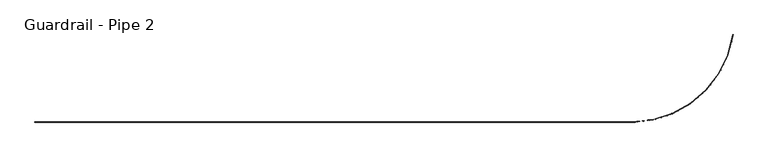
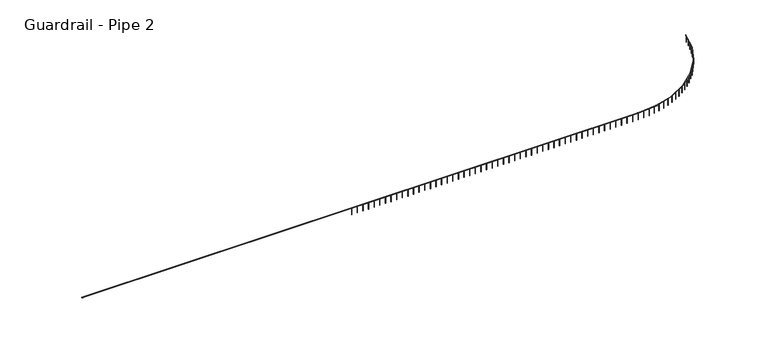
"""IFC4 building model written with IfcOpenShell, lengths in millimetres: railing geometry, Guardrail - Pipe 2."""

from ifc_helpers import new_model, si_unit, point, frame, frame_2d, origin, place, context, project, spatial, circle_curve, ellipse_curve, trimmed, segment, composite_curve, outline, extrude, source, transform, mapped, element, save
from ifc_brep_helpers import plane_surface, cylinder_surface, revolved_surface, advanced_brep


def guardrail_pipe_2_2d5580a9(model_context):
    return source(origin(), model_context, "Body", "SolidModel", [
        advanced_brep(
        [(178299.0379834, -514458.7580223, 5010.15), (178299.0379834, -514496.8580223, 5010.15), (238653.4254676, -514458.7580223, 5010.15), (238653.4254676, -514496.8580223, 5010.15), (248922.7777139, -505641.5394234, 5010.15), (248885.0920176, -505635.9360054, 5010.15)],
        [
            (0, 1, circle_curve(frame((178299.0379834, -514477.8080223, 5010.15), z_axis=(-1.0, 0.0, 0.0), x_axis=(0.0, -1.0, 0.0)), 19.05)),
            (1, 0, circle_curve(frame((178299.0379834, -514477.8080223, 5010.15), z_axis=(-1.0, 0.0, 0.0), x_axis=(0.0, -1.0, 0.0)), 19.05)),
            (0, 2),
            (2, 3, circle_curve(frame((238653.4254676, -514477.8080223, 5010.15), z_axis=(-1.0, 0.0, 0.0), x_axis=(0.0, -1.0, 0.0)), 19.05)),
            (3, 1),
            (3, 2, circle_curve(frame((238653.4254676, -514477.8080223, 5010.15), z_axis=(-1.0, 0.0, 0.0), x_axis=(0.0, -1.0, 0.0)), 19.05)),
            (4, 3, circle_curve(frame((238653.4254676, -504114.6080223, 5010.15), z_axis=(0.0, 0.0, -1.0), x_axis=(0.0, -1.0, 0.0)), 10382.25)),
            (2, 5, circle_curve(frame((238653.4254676, -504114.6080223, 5010.15), z_axis=(0.0, 0.0, 1.0), x_axis=(0.0, -1.0, 0.0)), 10344.15)),
            (5, 4, circle_curve(frame((248903.9348658, -505638.7377144, 5010.15), z_axis=(-0.14707133820643276, -0.989125887578608, 0.0), x_axis=(0.989125887578608, -0.14707133820643276, 0.0)), 19.05)),
            (4, 5, circle_curve(frame((248903.9348658, -505638.7377144, 5010.15), z_axis=(-0.14707133820643759, -0.9891258875786073, 0.0), x_axis=(0.9891258875786073, -0.14707133820643759, 0.0)), 19.05)),
        ],
        [
            plane_surface(frame((178299.0379834, -514477.8080223, 5029.2), z_axis=(-1.0, 0.0, 0.0), x_axis=(0.0, 1.0, 0.0))),
            cylinder_surface(frame((178299.0379834, -514477.8080223, 5010.15), z_axis=(-1.0, 0.0, 0.0), x_axis=(0.0, -1.0, 0.0)), 19.05),
            revolved_surface(trimmed(ellipse_curve(frame((238653.4254676, -514477.8080223, 5010.15), z_axis=(-1.0, 0.0, 0.0), x_axis=(0.0, -1.0, 0.0)), 19.05, 19.05), [point((238653.4254676, -514458.7580223, 5010.15))], [point((238653.4254676, -514496.8580223, 5010.15))], True, "CARTESIAN"), (238653.4254676, -504114.6080223, 5029.2), (0.0, 0.0, 1.0)),
            revolved_surface(trimmed(ellipse_curve(frame((238653.4254676, -514477.8080223, 5010.15), z_axis=(-1.0, 0.0, 0.0), x_axis=(0.0, -1.0, 0.0)), 19.05, 19.05), [point((238653.4254676, -514496.8580223, 5010.15))], [point((238653.4254676, -514458.7580223, 5010.15))], True, "CARTESIAN"), (238653.4254676, -504114.6080223, 5029.2), (0.0, 0.0, 1.0)),
            plane_surface(frame((248903.9348658, -505638.7377144, 5029.2), z_axis=(0.1470713382064385, 0.9891258875786072, 0.0), x_axis=(0.9891258875786072, -0.1470713382064385, 0.0))),
        ],
        [
            (0, [[1, 2]]),
            (1, [[-1, 3, 4, 5]]),
            (1, [[-2, -5, 6, -3]]),
            (2, [[7, -4, 8, 9]]),
            (3, [[-8, -6, -7, 10]]),
            (4, [[-10, -9]]),
        ],
    ),
        extrude(outline(composite_curve([segment(trimmed(circle_curve(frame_2d((248885.8532923, -505755.746363)), 12.7), [point((248873.3135523, -505753.7351641))], [point((248898.3930322, -505757.757562))], False, "CARTESIAN"), True, "CONTINUOUS"), segment(trimmed(circle_curve(frame_2d((248885.8532923, -505755.746363)), 12.7), [point((248898.3930322, -505757.757562))], [point((248873.3135523, -505753.7351641))], False, "CARTESIAN"), True, "CONTINUOUS")], self_intersect=False)), frame((0.0, 0.0, 4267.2), z_axis=(0.0, 0.0, 1.0), x_axis=(1.0, 0.0, 0.0)), (0.0, 0.0, 1.0), 723.9),
        extrude(outline(composite_curve([segment(trimmed(circle_curve(frame_2d((248771.6733483, -506354.4683003)), 12.7), [point((248759.2735347, -506351.7233735))], [point((248784.0731619, -506357.2132271))], False, "CARTESIAN"), True, "CONTINUOUS"), segment(trimmed(circle_curve(frame_2d((248771.6733483, -506354.4683003)), 12.7), [point((248784.0731619, -506357.2132271))], [point((248759.2735347, -506351.7233735))], False, "CARTESIAN"), True, "CONTINUOUS")], self_intersect=False)), frame((0.0, 0.0, 4267.2), z_axis=(0.0, 0.0, 1.0), x_axis=(1.0, 0.0, 0.0)), (0.0, 0.0, 1.0), 723.9),
        extrude(outline(composite_curve([segment(trimmed(circle_curve(frame_2d((248622.4922604, -506945.4420906)), 12.7), [point((248610.2752667, -506941.9729312))], [point((248634.709254, -506948.9112499))], False, "CARTESIAN"), True, "CONTINUOUS"), segment(trimmed(circle_curve(frame_2d((248622.4922604, -506945.4420906)), 12.7), [point((248634.709254, -506948.9112499))], [point((248610.2752667, -506941.9729312))], False, "CARTESIAN"), True, "CONTINUOUS")], self_intersect=False)), frame((0.0, 0.0, 4267.2), z_axis=(0.0, 0.0, 1.0), x_axis=(1.0, 0.0, 0.0)), (0.0, 0.0, 1.0), 723.9),
        extrude(outline(composite_curve([segment(trimmed(circle_curve(frame_2d((248438.8260771, -507526.6234313)), 12.7), [point((248426.8341646, -507522.4420399))], [point((248450.8179896, -507530.8048228))], False, "CARTESIAN"), True, "CONTINUOUS"), segment(trimmed(circle_curve(frame_2d((248438.8260771, -507526.6234313)), 12.7), [point((248450.8179896, -507530.8048228))], [point((248426.8341646, -507522.4420399))], False, "CARTESIAN"), True, "CONTINUOUS")], self_intersect=False)), frame((0.0, 0.0, 4267.2), z_axis=(0.0, 0.0, 1.0), x_axis=(1.0, 0.0, 0.0)), (0.0, 0.0, 1.0), 723.9),
        extrude(outline(composite_curve([segment(trimmed(circle_curve(frame_2d((248221.3101385, -508096.0018944)), 12.7), [point((248209.5847896, -508091.1227353))], [point((248233.0354874, -508100.8810536))], False, "CARTESIAN"), True, "CONTINUOUS"), segment(trimmed(circle_curve(frame_2d((248221.3101385, -508096.0018944)), 12.7), [point((248233.0354874, -508100.8810536))], [point((248209.5847896, -508091.1227353))], False, "CARTESIAN"), True, "CONTINUOUS")], self_intersect=False)), frame((0.0, 0.0, 4267.2), z_axis=(0.0, 0.0, 1.0), x_axis=(1.0, 0.0, 0.0)), (0.0, 0.0, 1.0), 723.9),
        extrude(outline(composite_curve([segment(trimmed(circle_curve(frame_2d((247970.6968778, -508651.6078801)), 12.7), [point((247959.278653, -508646.0478312))], [point((247982.1151025, -508657.1679289))], False, "CARTESIAN"), True, "CONTINUOUS"), segment(trimmed(circle_curve(frame_2d((247970.6968778, -508651.6078801)), 12.7), [point((247982.1151025, -508657.1679289))], [point((247959.278653, -508646.0478312))], False, "CARTESIAN"), True, "CONTINUOUS")], self_intersect=False)), frame((0.0, 0.0, 4267.2), z_axis=(0.0, 0.0, 1.0), x_axis=(1.0, 0.0, 0.0)), (0.0, 0.0, 1.0), 723.9),
        extrude(outline(composite_curve([segment(trimmed(circle_curve(frame_2d((247687.8532189, -509191.5194306)), 12.7), [point((247676.7816162, -509185.2977254))], [point((247698.9248215, -509197.7411357))], False, "CARTESIAN"), True, "CONTINUOUS"), segment(trimmed(circle_curve(frame_2d((247687.8532189, -509191.5194306)), 12.7), [point((247698.9248215, -509197.7411357))], [point((247676.7816162, -509185.2977254))], False, "CARTESIAN"), True, "CONTINUOUS")], self_intersect=False)), frame((0.0, 0.0, 4267.2), z_axis=(0.0, 0.0, 1.0), x_axis=(1.0, 0.0, 0.0)), (0.0, 0.0, 1.0), 723.9),
        extrude(outline(composite_curve([segment(trimmed(circle_curve(frame_2d((247373.7575774, -509713.8688785)), 12.7), [point((247363.0708959, -509707.0070392))], [point((247384.4442589, -509720.7307178))], False, "CARTESIAN"), True, "CONTINUOUS"), segment(trimmed(circle_curve(frame_2d((247373.7575774, -509713.8688785)), 12.7), [point((247384.4442589, -509720.7307178))], [point((247363.0708959, -509707.0070392))], False, "CARTESIAN"), True, "CONTINUOUS")], self_intersect=False)), frame((0.0, 0.0, 4267.2), z_axis=(0.0, 0.0, 1.0), x_axis=(1.0, 0.0, 0.0)), (0.0, 0.0, 1.0), 723.9),
        extrude(outline(composite_curve([segment(trimmed(circle_curve(frame_2d((247029.4964761, -510216.8493074)), 12.7), [point((247019.2316831, -510209.3710706))], [point((247039.761269, -510224.3275443))], False, "CARTESIAN"), True, "CONTINUOUS"), segment(trimmed(circle_curve(frame_2d((247029.4964761, -510216.8493074)), 12.7), [point((247039.761269, -510224.3275443))], [point((247019.2316831, -510209.3710706))], False, "CARTESIAN"), True, "CONTINUOUS")], self_intersect=False)), frame((0.0, 0.0, 4267.2), z_axis=(0.0, 0.0, 1.0), x_axis=(1.0, 0.0, 0.0)), (0.0, 0.0, 1.0), 723.9),
        extrude(outline(composite_curve([segment(trimmed(circle_curve(frame_2d((246656.2607864, -510698.7208024)), 12.7), [point((246646.4533901, -510690.6520368))], [point((246666.0681826, -510706.7895681))], False, "CARTESIAN"), True, "CONTINUOUS"), segment(trimmed(circle_curve(frame_2d((246656.2607864, -510698.7208024)), 12.7), [point((246666.0681826, -510706.7895681))], [point((246646.4533901, -510690.6520368))], False, "CARTESIAN"), True, "CONTINUOUS")], self_intersect=False)), frame((0.0, 0.0, 4267.2), z_axis=(0.0, 0.0, 1.0), x_axis=(1.0, 0.0, 0.0)), (0.0, 0.0, 1.0), 723.9),
        extrude(outline(composite_curve([segment(trimmed(circle_curve(frame_2d((246255.3416089, -511157.8164688)), 12.7), [point((246246.0255352, -511149.1850859))], [point((246264.6576826, -511166.4478517))], False, "CARTESIAN"), True, "CONTINUOUS"), segment(trimmed(circle_curve(frame_2d((246255.3416089, -511157.8164688)), 12.7), [point((246264.6576826, -511166.4478517))], [point((246246.0255352, -511149.1850859))], False, "CARTESIAN"), True, "CONTINUOUS")], self_intersect=False)), frame((0.0, 0.0, 4267.2), z_axis=(0.0, 0.0, 1.0), x_axis=(1.0, 0.0, 0.0)), (0.0, 0.0, 1.0), 723.9),
        extrude(outline(composite_curve([segment(trimmed(circle_curve(frame_2d((245828.1258073, -511592.5481983)), 12.7), [point((245819.3332824, -511583.3840559))], [point((245836.9183322, -511601.7123407))], False, "CARTESIAN"), True, "CONTINUOUS"), segment(trimmed(circle_curve(frame_2d((245828.1258073, -511592.5481983)), 12.7), [point((245836.9183322, -511601.7123407))], [point((245819.3332824, -511583.3840559))], False, "CARTESIAN"), True, "CONTINUOUS")], self_intersect=False)), frame((0.0, 0.0, 4267.2), z_axis=(0.0, 0.0, 1.0), x_axis=(1.0, 0.0, 0.0)), (0.0, 0.0, 1.0), 723.9),
        extrude(outline(composite_curve([segment(trimmed(circle_curve(frame_2d((245376.0912107, -512001.4121626)), 12.7), [point((245367.8526498, -511991.7469614))], [point((245384.3297717, -512011.0773637))], False, "CARTESIAN"), True, "CONTINUOUS"), segment(trimmed(circle_curve(frame_2d((245376.0912107, -512001.4121626)), 12.7), [point((245384.3297717, -512011.0773637))], [point((245367.8526498, -511991.7469614))], False, "CARTESIAN"), True, "CONTINUOUS")], self_intersect=False)), frame((0.0, 0.0, 4267.2), z_axis=(0.0, 0.0, 1.0), x_axis=(1.0, 0.0, 0.0)), (0.0, 0.0, 1.0), 723.9),
        extrude(outline(composite_curve([segment(trimmed(circle_curve(frame_2d((244900.8015018, -512382.9940153)), 12.7), [point((244893.1454037, -512372.8611893))], [point((244908.4575998, -512393.1268412))], False, "CARTESIAN"), True, "CONTINUOUS"), segment(trimmed(circle_curve(frame_2d((244900.8015018, -512382.9940153)), 12.7), [point((244908.4575998, -512393.1268412))], [point((244893.1454037, -512372.8611893))], False, "CARTESIAN"), True, "CONTINUOUS")], self_intersect=False)), frame((0.0, 0.0, 4267.2), z_axis=(0.0, 0.0, 1.0), x_axis=(1.0, 0.0, 0.0)), (0.0, 0.0, 1.0), 723.9),
        extrude(outline(composite_curve([segment(trimmed(circle_curve(frame_2d((244403.9008073, -512735.9737846)), 12.7), [point((244396.8536562, -512725.4083854))], [point((244410.9479585, -512746.5391839))], False, "CARTESIAN"), True, "CONTINUOUS"), segment(trimmed(circle_curve(frame_2d((244403.9008073, -512735.9737846)), 12.7), [point((244410.9479585, -512746.5391839))], [point((244396.8536562, -512725.4083854))], False, "CARTESIAN"), True, "CONTINUOUS")], self_intersect=False)), frame((0.0, 0.0, 4267.2), z_axis=(0.0, 0.0, 1.0), x_axis=(1.0, 0.0, 0.0)), (0.0, 0.0, 1.0), 723.9),
        extrude(outline(composite_curve([segment(trimmed(circle_curve(frame_2d((243887.1080112, -513059.1304396)), 12.7), [point((243880.6941845, -513048.1690151))], [point((243893.5218378, -513070.0918641))], False, "CARTESIAN"), True, "CONTINUOUS"), segment(trimmed(circle_curve(frame_2d((243887.1080112, -513059.1304396)), 12.7), [point((243893.5218378, -513070.0918641))], [point((243880.6941845, -513048.1690151))], False, "CARTESIAN"), True, "CONTINUOUS")], self_intersect=False)), frame((0.0, 0.0, 4267.2), z_axis=(0.0, 0.0, 1.0), x_axis=(1.0, 0.0, 0.0)), (0.0, 0.0, 1.0), 723.9),
        extrude(outline(composite_curve([segment(trimmed(circle_curve(frame_2d((243352.2108082, -513351.3461134)), 12.7), [point((243346.4524929, -513340.0265814))], [point((243357.9691236, -513362.6656454))], False, "CARTESIAN"), True, "CONTINUOUS"), segment(trimmed(circle_curve(frame_2d((243352.2108082, -513351.3461134)), 12.7), [point((243357.9691236, -513362.6656454))], [point((243346.4524929, -513340.0265814))], False, "CARTESIAN"), True, "CONTINUOUS")], self_intersect=False)), frame((0.0, 0.0, 4267.2), z_axis=(0.0, 0.0, 1.0), x_axis=(1.0, 0.0, 0.0)), (0.0, 0.0, 1.0), 723.9),
        extrude(outline(composite_curve([segment(trimmed(circle_curve(frame_2d((242801.0595201, -513611.6099707)), 12.7), [point((242795.9766353, -513599.9714879))], [point((242806.142405, -513623.2484534))], False, "CARTESIAN"), True, "CONTINUOUS"), segment(trimmed(circle_curve(frame_2d((242801.0595201, -513611.6099707)), 12.7), [point((242806.142405, -513623.2484534))], [point((242795.9766353, -513599.9714879))], False, "CARTESIAN"), True, "CONTINUOUS")], self_intersect=False)), frame((0.0, 0.0, 4267.2), z_axis=(0.0, 0.0, 1.0), x_axis=(1.0, 0.0, 0.0)), (0.0, 0.0, 1.0), 723.9),
        extrude(outline(composite_curve([segment(trimmed(circle_curve(frame_2d((242235.560695, -513839.021704)), 12.7), [point((242231.1708234, -513827.1045304))], [point((242239.9505666, -513850.9388777))], False, "CARTESIAN"), True, "CONTINUOUS"), segment(trimmed(circle_curve(frame_2d((242235.560695, -513839.021704)), 12.7), [point((242239.9505666, -513850.9388777))], [point((242231.1708234, -513827.1045304))], False, "CARTESIAN"), True, "CONTINUOUS")], self_intersect=False)), frame((0.0, 0.0, 4267.2), z_axis=(0.0, 0.0, 1.0), x_axis=(1.0, 0.0, 0.0)), (0.0, 0.0, 1.0), 723.9),
        extrude(outline(composite_curve([segment(trimmed(circle_curve(frame_2d((241657.6705119, -514032.7946486)), 12.7), [point((241653.988839, -514020.6400082))], [point((241661.3521847, -514044.9492891))], False, "CARTESIAN"), True, "CONTINUOUS"), segment(trimmed(circle_curve(frame_2d((241657.6705119, -514032.7946486)), 12.7), [point((241661.3521847, -514044.9492891))], [point((241653.988839, -514020.6400082))], False, "CARTESIAN"), True, "CONTINUOUS")], self_intersect=False)), frame((0.0, 0.0, 4267.2), z_axis=(0.0, 0.0, 1.0), x_axis=(1.0, 0.0, 0.0)), (0.0, 0.0, 1.0), 723.9),
        extrude(outline(composite_curve([segment(trimmed(circle_curve(frame_2d((241069.3880144, -514192.2585031)), 12.7), [point((241066.427276, -514179.9084412))], [point((241072.3487528, -514204.608565))], False, "CARTESIAN"), True, "CONTINUOUS"), segment(trimmed(circle_curve(frame_2d((241069.3880144, -514192.2585031)), 12.7), [point((241072.3487528, -514204.608565))], [point((241066.427276, -514179.9084412))], False, "CARTESIAN"), True, "CONTINUOUS")], self_intersect=False)), frame((0.0, 0.0, 4267.2), z_axis=(0.0, 0.0, 1.0), x_axis=(1.0, 0.0, 0.0)), (0.0, 0.0, 1.0), 723.9),
        extrude(outline(composite_curve([segment(trimmed(circle_curve(frame_2d((240472.7481951, -514316.8616485)), 12.7), [point((240470.518633, -514304.3588867))], [point((240474.9777573, -514329.3644103))], False, "CARTESIAN"), True, "CONTINUOUS"), segment(trimmed(circle_curve(frame_2d((240472.7481951, -514316.8616485)), 12.7), [point((240474.9777573, -514329.3644103))], [point((240470.518633, -514304.3588867))], False, "CARTESIAN"), True, "CONTINUOUS")], self_intersect=False)), frame((0.0, 0.0, 4267.2), z_axis=(0.0, 0.0, 1.0), x_axis=(1.0, 0.0, 0.0)), (0.0, 0.0, 1.0), 723.9),
        extrude(outline(composite_curve([segment(trimmed(circle_curve(frame_2d((239869.8149566, -514406.1730564)), 12.7), [point((239868.3242832, -514393.5608444))], [point((239871.3056299, -514418.7852685))], False, "CARTESIAN"), True, "CONTINUOUS"), segment(trimmed(circle_curve(frame_2d((239869.8149566, -514406.1730564)), 12.7), [point((239871.3056299, -514418.7852685))], [point((239868.3242832, -514393.5608444))], False, "CARTESIAN"), True, "CONTINUOUS")], self_intersect=False)), frame((0.0, 0.0, 4267.2), z_axis=(0.0, 0.0, 1.0), x_axis=(1.0, 0.0, 0.0)), (0.0, 0.0, 1.0), 723.9),
        extrude(outline(composite_curve([segment(trimmed(circle_curve(frame_2d((239262.6739713, -514459.8837799)), 12.7), [point((239261.9273433, -514447.2057459))], [point((239263.4205994, -514472.561814))], False, "CARTESIAN"), True, "CONTINUOUS"), segment(trimmed(circle_curve(frame_2d((239262.6739713, -514459.8837799)), 12.7), [point((239263.4205994, -514472.561814))], [point((239261.9273433, -514447.2057459))], False, "CARTESIAN"), True, "CONTINUOUS")], self_intersect=False)), frame((0.0, 0.0, 4267.2), z_axis=(0.0, 0.0, 1.0), x_axis=(1.0, 0.0, 0.0)), (0.0, 0.0, 1.0), 723.9),
        extrude(outline(composite_curve([segment(trimmed(circle_curve(frame_2d((238649.4379834, -514477.8080223)), 12.7), [point((238649.4379834, -514465.1080223))], [point((238649.4379834, -514490.5080223))], False, "CARTESIAN"), True, "CONTINUOUS"), segment(trimmed(circle_curve(frame_2d((238649.4379834, -514477.8080223)), 12.7), [point((238649.4379834, -514490.5080223))], [point((238649.4379834, -514465.1080223))], False, "CARTESIAN"), True, "CONTINUOUS")], self_intersect=False)), frame((0.0, 0.0, 4267.2), z_axis=(0.0, 0.0, 1.0), x_axis=(1.0, 0.0, 0.0)), (0.0, 0.0, 1.0), 723.9),
        extrude(outline(composite_curve([segment(trimmed(circle_curve(frame_2d((238039.8379834, -514477.8080223)), 12.7), [point((238039.8379834, -514465.1080223))], [point((238039.8379834, -514490.5080223))], False, "CARTESIAN"), True, "CONTINUOUS"), segment(trimmed(circle_curve(frame_2d((238039.8379834, -514477.8080223)), 12.7), [point((238039.8379834, -514490.5080223))], [point((238039.8379834, -514465.1080223))], False, "CARTESIAN"), True, "CONTINUOUS")], self_intersect=False)), frame((0.0, 0.0, 4267.2), z_axis=(0.0, 0.0, 1.0), x_axis=(1.0, 0.0, 0.0)), (0.0, 0.0, 1.0), 723.9),
        extrude(outline(composite_curve([segment(trimmed(circle_curve(frame_2d((237430.2379834, -514477.8080223)), 12.7), [point((237430.2379834, -514465.1080223))], [point((237430.2379834, -514490.5080223))], False, "CARTESIAN"), True, "CONTINUOUS"), segment(trimmed(circle_curve(frame_2d((237430.2379834, -514477.8080223)), 12.7), [point((237430.2379834, -514490.5080223))], [point((237430.2379834, -514465.1080223))], False, "CARTESIAN"), True, "CONTINUOUS")], self_intersect=False)), frame((0.0, 0.0, 4267.2), z_axis=(0.0, 0.0, 1.0), x_axis=(1.0, 0.0, 0.0)), (0.0, 0.0, 1.0), 723.9),
        extrude(outline(composite_curve([segment(trimmed(circle_curve(frame_2d((236820.6379834, -514477.8080223)), 12.7), [point((236820.6379834, -514465.1080223))], [point((236820.6379834, -514490.5080223))], False, "CARTESIAN"), True, "CONTINUOUS"), segment(trimmed(circle_curve(frame_2d((236820.6379834, -514477.8080223)), 12.7), [point((236820.6379834, -514490.5080223))], [point((236820.6379834, -514465.1080223))], False, "CARTESIAN"), True, "CONTINUOUS")], self_intersect=False)), frame((0.0, 0.0, 4267.2), z_axis=(0.0, 0.0, 1.0), x_axis=(1.0, 0.0, 0.0)), (0.0, 0.0, 1.0), 723.9),
        extrude(outline(composite_curve([segment(trimmed(circle_curve(frame_2d((236211.0379834, -514477.8080223)), 12.7), [point((236211.0379834, -514465.1080223))], [point((236211.0379834, -514490.5080223))], False, "CARTESIAN"), True, "CONTINUOUS"), segment(trimmed(circle_curve(frame_2d((236211.0379834, -514477.8080223)), 12.7), [point((236211.0379834, -514490.5080223))], [point((236211.0379834, -514465.1080223))], False, "CARTESIAN"), True, "CONTINUOUS")], self_intersect=False)), frame((0.0, 0.0, 4267.2), z_axis=(0.0, 0.0, 1.0), x_axis=(1.0, 0.0, 0.0)), (0.0, 0.0, 1.0), 723.9),
        extrude(outline(composite_curve([segment(trimmed(circle_curve(frame_2d((235601.4379834, -514477.8080223)), 12.7), [point((235601.4379834, -514465.1080223))], [point((235601.4379834, -514490.5080223))], False, "CARTESIAN"), True, "CONTINUOUS"), segment(trimmed(circle_curve(frame_2d((235601.4379834, -514477.8080223)), 12.7), [point((235601.4379834, -514490.5080223))], [point((235601.4379834, -514465.1080223))], False, "CARTESIAN"), True, "CONTINUOUS")], self_intersect=False)), frame((0.0, 0.0, 4267.2), z_axis=(0.0, 0.0, 1.0), x_axis=(1.0, 0.0, 0.0)), (0.0, 0.0, 1.0), 723.9),
        extrude(outline(composite_curve([segment(trimmed(circle_curve(frame_2d((234991.8379834, -514477.8080223)), 12.7), [point((234991.8379834, -514465.1080223))], [point((234991.8379834, -514490.5080223))], False, "CARTESIAN"), True, "CONTINUOUS"), segment(trimmed(circle_curve(frame_2d((234991.8379834, -514477.8080223)), 12.7), [point((234991.8379834, -514490.5080223))], [point((234991.8379834, -514465.1080223))], False, "CARTESIAN"), True, "CONTINUOUS")], self_intersect=False)), frame((0.0, 0.0, 4267.2), z_axis=(0.0, 0.0, 1.0), x_axis=(1.0, 0.0, 0.0)), (0.0, 0.0, 1.0), 723.9),
        extrude(outline(composite_curve([segment(trimmed(circle_curve(frame_2d((234382.2379834, -514477.8080223)), 12.7), [point((234382.2379834, -514465.1080223))], [point((234382.2379834, -514490.5080223))], False, "CARTESIAN"), True, "CONTINUOUS"), segment(trimmed(circle_curve(frame_2d((234382.2379834, -514477.8080223)), 12.7), [point((234382.2379834, -514490.5080223))], [point((234382.2379834, -514465.1080223))], False, "CARTESIAN"), True, "CONTINUOUS")], self_intersect=False)), frame((0.0, 0.0, 4267.2), z_axis=(0.0, 0.0, 1.0), x_axis=(1.0, 0.0, 0.0)), (0.0, 0.0, 1.0), 723.9),
        extrude(outline(composite_curve([segment(trimmed(circle_curve(frame_2d((233772.6379834, -514477.8080223)), 12.7), [point((233772.6379834, -514465.1080223))], [point((233772.6379834, -514490.5080223))], False, "CARTESIAN"), True, "CONTINUOUS"), segment(trimmed(circle_curve(frame_2d((233772.6379834, -514477.8080223)), 12.7), [point((233772.6379834, -514490.5080223))], [point((233772.6379834, -514465.1080223))], False, "CARTESIAN"), True, "CONTINUOUS")], self_intersect=False)), frame((0.0, 0.0, 4267.2), z_axis=(0.0, 0.0, 1.0), x_axis=(1.0, 0.0, 0.0)), (0.0, 0.0, 1.0), 723.9),
        extrude(outline(composite_curve([segment(trimmed(circle_curve(frame_2d((233163.0379834, -514477.8080223)), 12.7), [point((233163.0379834, -514465.1080223))], [point((233163.0379834, -514490.5080223))], False, "CARTESIAN"), True, "CONTINUOUS"), segment(trimmed(circle_curve(frame_2d((233163.0379834, -514477.8080223)), 12.7), [point((233163.0379834, -514490.5080223))], [point((233163.0379834, -514465.1080223))], False, "CARTESIAN"), True, "CONTINUOUS")], self_intersect=False)), frame((0.0, 0.0, 4267.2), z_axis=(0.0, 0.0, 1.0), x_axis=(1.0, 0.0, 0.0)), (0.0, 0.0, 1.0), 723.9),
        extrude(outline(composite_curve([segment(trimmed(circle_curve(frame_2d((232553.4379834, -514477.8080223)), 12.7), [point((232553.4379834, -514465.1080223))], [point((232553.4379834, -514490.5080223))], False, "CARTESIAN"), True, "CONTINUOUS"), segment(trimmed(circle_curve(frame_2d((232553.4379834, -514477.8080223)), 12.7), [point((232553.4379834, -514490.5080223))], [point((232553.4379834, -514465.1080223))], False, "CARTESIAN"), True, "CONTINUOUS")], self_intersect=False)), frame((0.0, 0.0, 4267.2), z_axis=(0.0, 0.0, 1.0), x_axis=(1.0, 0.0, 0.0)), (0.0, 0.0, 1.0), 723.9),
        extrude(outline(composite_curve([segment(trimmed(circle_curve(frame_2d((231943.8379834, -514477.8080223)), 12.7), [point((231943.8379834, -514465.1080223))], [point((231943.8379834, -514490.5080223))], False, "CARTESIAN"), True, "CONTINUOUS"), segment(trimmed(circle_curve(frame_2d((231943.8379834, -514477.8080223)), 12.7), [point((231943.8379834, -514490.5080223))], [point((231943.8379834, -514465.1080223))], False, "CARTESIAN"), True, "CONTINUOUS")], self_intersect=False)), frame((0.0, 0.0, 4267.2), z_axis=(0.0, 0.0, 1.0), x_axis=(1.0, 0.0, 0.0)), (0.0, 0.0, 1.0), 723.9),
        extrude(outline(composite_curve([segment(trimmed(circle_curve(frame_2d((231334.2379834, -514477.8080223)), 12.7), [point((231334.2379834, -514465.1080223))], [point((231334.2379834, -514490.5080223))], False, "CARTESIAN"), True, "CONTINUOUS"), segment(trimmed(circle_curve(frame_2d((231334.2379834, -514477.8080223)), 12.7), [point((231334.2379834, -514490.5080223))], [point((231334.2379834, -514465.1080223))], False, "CARTESIAN"), True, "CONTINUOUS")], self_intersect=False)), frame((0.0, 0.0, 4267.2), z_axis=(0.0, 0.0, 1.0), x_axis=(1.0, 0.0, 0.0)), (0.0, 0.0, 1.0), 723.9),
        extrude(outline(composite_curve([segment(trimmed(circle_curve(frame_2d((230724.6379834, -514477.8080223)), 12.7), [point((230724.6379834, -514465.1080223))], [point((230724.6379834, -514490.5080223))], False, "CARTESIAN"), True, "CONTINUOUS"), segment(trimmed(circle_curve(frame_2d((230724.6379834, -514477.8080223)), 12.7), [point((230724.6379834, -514490.5080223))], [point((230724.6379834, -514465.1080223))], False, "CARTESIAN"), True, "CONTINUOUS")], self_intersect=False)), frame((0.0, 0.0, 4267.2), z_axis=(0.0, 0.0, 1.0), x_axis=(1.0, 0.0, 0.0)), (0.0, 0.0, 1.0), 723.9),
        extrude(outline(composite_curve([segment(trimmed(circle_curve(frame_2d((230115.0379834, -514477.8080223)), 12.7), [point((230115.0379834, -514465.1080223))], [point((230115.0379834, -514490.5080223))], False, "CARTESIAN"), True, "CONTINUOUS"), segment(trimmed(circle_curve(frame_2d((230115.0379834, -514477.8080223)), 12.7), [point((230115.0379834, -514490.5080223))], [point((230115.0379834, -514465.1080223))], False, "CARTESIAN"), True, "CONTINUOUS")], self_intersect=False)), frame((0.0, 0.0, 4267.2), z_axis=(0.0, 0.0, 1.0), x_axis=(1.0, 0.0, 0.0)), (0.0, 0.0, 1.0), 723.9),
        extrude(outline(composite_curve([segment(trimmed(circle_curve(frame_2d((229505.4379834, -514477.8080223)), 12.7), [point((229505.4379834, -514465.1080223))], [point((229505.4379834, -514490.5080223))], False, "CARTESIAN"), True, "CONTINUOUS"), segment(trimmed(circle_curve(frame_2d((229505.4379834, -514477.8080223)), 12.7), [point((229505.4379834, -514490.5080223))], [point((229505.4379834, -514465.1080223))], False, "CARTESIAN"), True, "CONTINUOUS")], self_intersect=False)), frame((0.0, 0.0, 4267.2), z_axis=(0.0, 0.0, 1.0), x_axis=(1.0, 0.0, 0.0)), (0.0, 0.0, 1.0), 723.9),
        extrude(outline(composite_curve([segment(trimmed(circle_curve(frame_2d((228895.8379834, -514477.8080223)), 12.7), [point((228895.8379834, -514465.1080223))], [point((228895.8379834, -514490.5080223))], False, "CARTESIAN"), True, "CONTINUOUS"), segment(trimmed(circle_curve(frame_2d((228895.8379834, -514477.8080223)), 12.7), [point((228895.8379834, -514490.5080223))], [point((228895.8379834, -514465.1080223))], False, "CARTESIAN"), True, "CONTINUOUS")], self_intersect=False)), frame((0.0, 0.0, 4267.2), z_axis=(0.0, 0.0, 1.0), x_axis=(1.0, 0.0, 0.0)), (0.0, 0.0, 1.0), 723.9),
        extrude(outline(composite_curve([segment(trimmed(circle_curve(frame_2d((228286.2379834, -514477.8080223)), 12.7), [point((228286.2379834, -514465.1080223))], [point((228286.2379834, -514490.5080223))], False, "CARTESIAN"), True, "CONTINUOUS"), segment(trimmed(circle_curve(frame_2d((228286.2379834, -514477.8080223)), 12.7), [point((228286.2379834, -514490.5080223))], [point((228286.2379834, -514465.1080223))], False, "CARTESIAN"), True, "CONTINUOUS")], self_intersect=False)), frame((0.0, 0.0, 4267.2), z_axis=(0.0, 0.0, 1.0), x_axis=(1.0, 0.0, 0.0)), (0.0, 0.0, 1.0), 723.9),
        extrude(outline(composite_curve([segment(trimmed(circle_curve(frame_2d((227676.6379834, -514477.8080223)), 12.7), [point((227676.6379834, -514465.1080223))], [point((227676.6379834, -514490.5080223))], False, "CARTESIAN"), True, "CONTINUOUS"), segment(trimmed(circle_curve(frame_2d((227676.6379834, -514477.8080223)), 12.7), [point((227676.6379834, -514490.5080223))], [point((227676.6379834, -514465.1080223))], False, "CARTESIAN"), True, "CONTINUOUS")], self_intersect=False)), frame((0.0, 0.0, 4267.2), z_axis=(0.0, 0.0, 1.0), x_axis=(1.0, 0.0, 0.0)), (0.0, 0.0, 1.0), 723.9),
        extrude(outline(composite_curve([segment(trimmed(circle_curve(frame_2d((227067.0379834, -514477.8080223)), 12.7), [point((227067.0379834, -514465.1080223))], [point((227067.0379834, -514490.5080223))], False, "CARTESIAN"), True, "CONTINUOUS"), segment(trimmed(circle_curve(frame_2d((227067.0379834, -514477.8080223)), 12.7), [point((227067.0379834, -514490.5080223))], [point((227067.0379834, -514465.1080223))], False, "CARTESIAN"), True, "CONTINUOUS")], self_intersect=False)), frame((0.0, 0.0, 4267.2), z_axis=(0.0, 0.0, 1.0), x_axis=(1.0, 0.0, 0.0)), (0.0, 0.0, 1.0), 723.9),
        extrude(outline(composite_curve([segment(trimmed(circle_curve(frame_2d((226457.4379834, -514477.8080223)), 12.7), [point((226457.4379834, -514465.1080223))], [point((226457.4379834, -514490.5080223))], False, "CARTESIAN"), True, "CONTINUOUS"), segment(trimmed(circle_curve(frame_2d((226457.4379834, -514477.8080223)), 12.7), [point((226457.4379834, -514490.5080223))], [point((226457.4379834, -514465.1080223))], False, "CARTESIAN"), True, "CONTINUOUS")], self_intersect=False)), frame((0.0, 0.0, 4267.2), z_axis=(0.0, 0.0, 1.0), x_axis=(1.0, 0.0, 0.0)), (0.0, 0.0, 1.0), 723.9),
        extrude(outline(composite_curve([segment(trimmed(circle_curve(frame_2d((225847.8379834, -514477.8080223)), 12.7), [point((225847.8379834, -514465.1080223))], [point((225847.8379834, -514490.5080223))], False, "CARTESIAN"), True, "CONTINUOUS"), segment(trimmed(circle_curve(frame_2d((225847.8379834, -514477.8080223)), 12.7), [point((225847.8379834, -514490.5080223))], [point((225847.8379834, -514465.1080223))], False, "CARTESIAN"), True, "CONTINUOUS")], self_intersect=False)), frame((0.0, 0.0, 4267.2), z_axis=(0.0, 0.0, 1.0), x_axis=(1.0, 0.0, 0.0)), (0.0, 0.0, 1.0), 723.9),
        extrude(outline(composite_curve([segment(trimmed(circle_curve(frame_2d((225238.2379834, -514477.8080223)), 12.7), [point((225238.2379834, -514465.1080223))], [point((225238.2379834, -514490.5080223))], False, "CARTESIAN"), True, "CONTINUOUS"), segment(trimmed(circle_curve(frame_2d((225238.2379834, -514477.8080223)), 12.7), [point((225238.2379834, -514490.5080223))], [point((225238.2379834, -514465.1080223))], False, "CARTESIAN"), True, "CONTINUOUS")], self_intersect=False)), frame((0.0, 0.0, 4267.2), z_axis=(0.0, 0.0, 1.0), x_axis=(1.0, 0.0, 0.0)), (0.0, 0.0, 1.0), 723.9),
        extrude(outline(composite_curve([segment(trimmed(circle_curve(frame_2d((224628.6379834, -514477.8080223)), 12.7), [point((224628.6379834, -514465.1080223))], [point((224628.6379834, -514490.5080223))], False, "CARTESIAN"), True, "CONTINUOUS"), segment(trimmed(circle_curve(frame_2d((224628.6379834, -514477.8080223)), 12.7), [point((224628.6379834, -514490.5080223))], [point((224628.6379834, -514465.1080223))], False, "CARTESIAN"), True, "CONTINUOUS")], self_intersect=False)), frame((0.0, 0.0, 4267.2), z_axis=(0.0, 0.0, 1.0), x_axis=(1.0, 0.0, 0.0)), (0.0, 0.0, 1.0), 723.9),
        extrude(outline(composite_curve([segment(trimmed(circle_curve(frame_2d((224019.0379834, -514477.8080223)), 12.7), [point((224019.0379834, -514465.1080223))], [point((224019.0379834, -514490.5080223))], False, "CARTESIAN"), True, "CONTINUOUS"), segment(trimmed(circle_curve(frame_2d((224019.0379834, -514477.8080223)), 12.7), [point((224019.0379834, -514490.5080223))], [point((224019.0379834, -514465.1080223))], False, "CARTESIAN"), True, "CONTINUOUS")], self_intersect=False)), frame((0.0, 0.0, 4267.2), z_axis=(0.0, 0.0, 1.0), x_axis=(1.0, 0.0, 0.0)), (0.0, 0.0, 1.0), 723.9),
        extrude(outline(composite_curve([segment(trimmed(circle_curve(frame_2d((223409.4379834, -514477.8080223)), 12.7), [point((223409.4379834, -514465.1080223))], [point((223409.4379834, -514490.5080223))], False, "CARTESIAN"), True, "CONTINUOUS"), segment(trimmed(circle_curve(frame_2d((223409.4379834, -514477.8080223)), 12.7), [point((223409.4379834, -514490.5080223))], [point((223409.4379834, -514465.1080223))], False, "CARTESIAN"), True, "CONTINUOUS")], self_intersect=False)), frame((0.0, 0.0, 4267.2), z_axis=(0.0, 0.0, 1.0), x_axis=(1.0, 0.0, 0.0)), (0.0, 0.0, 1.0), 723.9),
        extrude(outline(composite_curve([segment(trimmed(circle_curve(frame_2d((222799.8379834, -514477.8080223)), 12.7), [point((222799.8379834, -514465.1080223))], [point((222799.8379834, -514490.5080223))], False, "CARTESIAN"), True, "CONTINUOUS"), segment(trimmed(circle_curve(frame_2d((222799.8379834, -514477.8080223)), 12.7), [point((222799.8379834, -514490.5080223))], [point((222799.8379834, -514465.1080223))], False, "CARTESIAN"), True, "CONTINUOUS")], self_intersect=False)), frame((0.0, 0.0, 4267.2), z_axis=(0.0, 0.0, 1.0), x_axis=(1.0, 0.0, 0.0)), (0.0, 0.0, 1.0), 723.9),
        extrude(outline(composite_curve([segment(trimmed(circle_curve(frame_2d((222190.2379834, -514477.8080223)), 12.7), [point((222190.2379834, -514465.1080223))], [point((222190.2379834, -514490.5080223))], False, "CARTESIAN"), True, "CONTINUOUS"), segment(trimmed(circle_curve(frame_2d((222190.2379834, -514477.8080223)), 12.7), [point((222190.2379834, -514490.5080223))], [point((222190.2379834, -514465.1080223))], False, "CARTESIAN"), True, "CONTINUOUS")], self_intersect=False)), frame((0.0, 0.0, 4267.2), z_axis=(0.0, 0.0, 1.0), x_axis=(1.0, 0.0, 0.0)), (0.0, 0.0, 1.0), 723.9),
        extrude(outline(composite_curve([segment(trimmed(circle_curve(frame_2d((221580.6379834, -514477.8080223)), 12.7), [point((221580.6379834, -514465.1080223))], [point((221580.6379834, -514490.5080223))], False, "CARTESIAN"), True, "CONTINUOUS"), segment(trimmed(circle_curve(frame_2d((221580.6379834, -514477.8080223)), 12.7), [point((221580.6379834, -514490.5080223))], [point((221580.6379834, -514465.1080223))], False, "CARTESIAN"), True, "CONTINUOUS")], self_intersect=False)), frame((0.0, 0.0, 4267.2), z_axis=(0.0, 0.0, 1.0), x_axis=(1.0, 0.0, 0.0)), (0.0, 0.0, 1.0), 723.9),
        extrude(outline(composite_curve([segment(trimmed(circle_curve(frame_2d((220971.0379834, -514477.8080223)), 12.7), [point((220971.0379834, -514465.1080223))], [point((220971.0379834, -514490.5080223))], False, "CARTESIAN"), True, "CONTINUOUS"), segment(trimmed(circle_curve(frame_2d((220971.0379834, -514477.8080223)), 12.7), [point((220971.0379834, -514490.5080223))], [point((220971.0379834, -514465.1080223))], False, "CARTESIAN"), True, "CONTINUOUS")], self_intersect=False)), frame((0.0, 0.0, 4267.2), z_axis=(0.0, 0.0, 1.0), x_axis=(1.0, 0.0, 0.0)), (0.0, 0.0, 1.0), 723.9),
        extrude(outline(composite_curve([segment(trimmed(circle_curve(frame_2d((220361.4379834, -514477.8080223)), 12.7), [point((220361.4379834, -514465.1080223))], [point((220361.4379834, -514490.5080223))], False, "CARTESIAN"), True, "CONTINUOUS"), segment(trimmed(circle_curve(frame_2d((220361.4379834, -514477.8080223)), 12.7), [point((220361.4379834, -514490.5080223))], [point((220361.4379834, -514465.1080223))], False, "CARTESIAN"), True, "CONTINUOUS")], self_intersect=False)), frame((0.0, 0.0, 4267.2), z_axis=(0.0, 0.0, 1.0), x_axis=(1.0, 0.0, 0.0)), (0.0, 0.0, 1.0), 723.9),
        extrude(outline(composite_curve([segment(trimmed(circle_curve(frame_2d((219751.8379834, -514477.8080223)), 12.7), [point((219751.8379834, -514465.1080223))], [point((219751.8379834, -514490.5080223))], False, "CARTESIAN"), True, "CONTINUOUS"), segment(trimmed(circle_curve(frame_2d((219751.8379834, -514477.8080223)), 12.7), [point((219751.8379834, -514490.5080223))], [point((219751.8379834, -514465.1080223))], False, "CARTESIAN"), True, "CONTINUOUS")], self_intersect=False)), frame((0.0, 0.0, 4267.2), z_axis=(0.0, 0.0, 1.0), x_axis=(1.0, 0.0, 0.0)), (0.0, 0.0, 1.0), 723.9),
        extrude(outline(composite_curve([segment(trimmed(circle_curve(frame_2d((219142.2379834, -514477.8080223)), 12.7), [point((219142.2379834, -514465.1080223))], [point((219142.2379834, -514490.5080223))], False, "CARTESIAN"), True, "CONTINUOUS"), segment(trimmed(circle_curve(frame_2d((219142.2379834, -514477.8080223)), 12.7), [point((219142.2379834, -514490.5080223))], [point((219142.2379834, -514465.1080223))], False, "CARTESIAN"), True, "CONTINUOUS")], self_intersect=False)), frame((0.0, 0.0, 4267.2), z_axis=(0.0, 0.0, 1.0), x_axis=(1.0, 0.0, 0.0)), (0.0, 0.0, 1.0), 723.9),
        extrude(outline(composite_curve([segment(trimmed(circle_curve(frame_2d((218532.6379834, -514477.8080223)), 12.7), [point((218532.6379834, -514465.1080223))], [point((218532.6379834, -514490.5080223))], False, "CARTESIAN"), True, "CONTINUOUS"), segment(trimmed(circle_curve(frame_2d((218532.6379834, -514477.8080223)), 12.7), [point((218532.6379834, -514490.5080223))], [point((218532.6379834, -514465.1080223))], False, "CARTESIAN"), True, "CONTINUOUS")], self_intersect=False)), frame((0.0, 0.0, 4267.2), z_axis=(0.0, 0.0, 1.0), x_axis=(1.0, 0.0, 0.0)), (0.0, 0.0, 1.0), 723.9),
        extrude(outline(composite_curve([segment(trimmed(circle_curve(frame_2d((217923.0379834, -514477.8080223)), 12.7), [point((217923.0379834, -514465.1080223))], [point((217923.0379834, -514490.5080223))], False, "CARTESIAN"), True, "CONTINUOUS"), segment(trimmed(circle_curve(frame_2d((217923.0379834, -514477.8080223)), 12.7), [point((217923.0379834, -514490.5080223))], [point((217923.0379834, -514465.1080223))], False, "CARTESIAN"), True, "CONTINUOUS")], self_intersect=False)), frame((0.0, 0.0, 4267.2), z_axis=(0.0, 0.0, 1.0), x_axis=(1.0, 0.0, 0.0)), (0.0, 0.0, 1.0), 723.9),
        extrude(outline(composite_curve([segment(trimmed(circle_curve(frame_2d((217313.4379834, -514477.8080223)), 12.7), [point((217313.4379834, -514465.1080223))], [point((217313.4379834, -514490.5080223))], False, "CARTESIAN"), True, "CONTINUOUS"), segment(trimmed(circle_curve(frame_2d((217313.4379834, -514477.8080223)), 12.7), [point((217313.4379834, -514490.5080223))], [point((217313.4379834, -514465.1080223))], False, "CARTESIAN"), True, "CONTINUOUS")], self_intersect=False)), frame((0.0, 0.0, 4267.2), z_axis=(0.0, 0.0, 1.0), x_axis=(1.0, 0.0, 0.0)), (0.0, 0.0, 1.0), 723.9),
        extrude(outline(composite_curve([segment(trimmed(circle_curve(frame_2d((216703.8379834, -514477.8080223)), 12.7), [point((216703.8379834, -514465.1080223))], [point((216703.8379834, -514490.5080223))], False, "CARTESIAN"), True, "CONTINUOUS"), segment(trimmed(circle_curve(frame_2d((216703.8379834, -514477.8080223)), 12.7), [point((216703.8379834, -514490.5080223))], [point((216703.8379834, -514465.1080223))], False, "CARTESIAN"), True, "CONTINUOUS")], self_intersect=False)), frame((0.0, 0.0, 4267.2), z_axis=(0.0, 0.0, 1.0), x_axis=(1.0, 0.0, 0.0)), (0.0, 0.0, 1.0), 723.9),
        extrude(outline(composite_curve([segment(trimmed(circle_curve(frame_2d((216094.2379834, -514477.8080223)), 12.7), [point((216094.2379834, -514465.1080223))], [point((216094.2379834, -514490.5080223))], False, "CARTESIAN"), True, "CONTINUOUS"), segment(trimmed(circle_curve(frame_2d((216094.2379834, -514477.8080223)), 12.7), [point((216094.2379834, -514490.5080223))], [point((216094.2379834, -514465.1080223))], False, "CARTESIAN"), True, "CONTINUOUS")], self_intersect=False)), frame((0.0, 0.0, 4267.2), z_axis=(0.0, 0.0, 1.0), x_axis=(1.0, 0.0, 0.0)), (0.0, 0.0, 1.0), 723.9),
        extrude(outline(composite_curve([segment(trimmed(circle_curve(frame_2d((215484.6379834, -514477.8080223)), 12.7), [point((215484.6379834, -514465.1080223))], [point((215484.6379834, -514490.5080223))], False, "CARTESIAN"), True, "CONTINUOUS"), segment(trimmed(circle_curve(frame_2d((215484.6379834, -514477.8080223)), 12.7), [point((215484.6379834, -514490.5080223))], [point((215484.6379834, -514465.1080223))], False, "CARTESIAN"), True, "CONTINUOUS")], self_intersect=False)), frame((0.0, 0.0, 4267.2), z_axis=(0.0, 0.0, 1.0), x_axis=(1.0, 0.0, 0.0)), (0.0, 0.0, 1.0), 723.9),
        extrude(outline(composite_curve([segment(trimmed(circle_curve(frame_2d((214875.0379834, -514477.8080223)), 12.7), [point((214875.0379834, -514465.1080223))], [point((214875.0379834, -514490.5080223))], False, "CARTESIAN"), True, "CONTINUOUS"), segment(trimmed(circle_curve(frame_2d((214875.0379834, -514477.8080223)), 12.7), [point((214875.0379834, -514490.5080223))], [point((214875.0379834, -514465.1080223))], False, "CARTESIAN"), True, "CONTINUOUS")], self_intersect=False)), frame((0.0, 0.0, 4267.2), z_axis=(0.0, 0.0, 1.0), x_axis=(1.0, 0.0, 0.0)), (0.0, 0.0, 1.0), 723.9),
        extrude(outline(composite_curve([segment(trimmed(circle_curve(frame_2d((214265.4379834, -514477.8080223)), 12.7), [point((214265.4379834, -514465.1080223))], [point((214265.4379834, -514490.5080223))], False, "CARTESIAN"), True, "CONTINUOUS"), segment(trimmed(circle_curve(frame_2d((214265.4379834, -514477.8080223)), 12.7), [point((214265.4379834, -514490.5080223))], [point((214265.4379834, -514465.1080223))], False, "CARTESIAN"), True, "CONTINUOUS")], self_intersect=False)), frame((0.0, 0.0, 4267.2), z_axis=(0.0, 0.0, 1.0), x_axis=(1.0, 0.0, 0.0)), (0.0, 0.0, 1.0), 723.9),
        extrude(outline(composite_curve([segment(trimmed(circle_curve(frame_2d((213655.8379834, -514477.8080223)), 12.7), [point((213655.8379834, -514465.1080223))], [point((213655.8379834, -514490.5080223))], False, "CARTESIAN"), True, "CONTINUOUS"), segment(trimmed(circle_curve(frame_2d((213655.8379834, -514477.8080223)), 12.7), [point((213655.8379834, -514490.5080223))], [point((213655.8379834, -514465.1080223))], False, "CARTESIAN"), True, "CONTINUOUS")], self_intersect=False)), frame((0.0, 0.0, 4267.2), z_axis=(0.0, 0.0, 1.0), x_axis=(1.0, 0.0, 0.0)), (0.0, 0.0, 1.0), 723.9),
        extrude(outline(composite_curve([segment(trimmed(circle_curve(frame_2d((213046.2379834, -514477.8080223)), 12.7), [point((213046.2379834, -514465.1080223))], [point((213046.2379834, -514490.5080223))], False, "CARTESIAN"), True, "CONTINUOUS"), segment(trimmed(circle_curve(frame_2d((213046.2379834, -514477.8080223)), 12.7), [point((213046.2379834, -514490.5080223))], [point((213046.2379834, -514465.1080223))], False, "CARTESIAN"), True, "CONTINUOUS")], self_intersect=False)), frame((0.0, 0.0, 4267.2), z_axis=(0.0, 0.0, 1.0), x_axis=(1.0, 0.0, 0.0)), (0.0, 0.0, 1.0), 723.9),
        extrude(outline(composite_curve([segment(trimmed(circle_curve(frame_2d((212436.6379834, -514477.8080223)), 12.7), [point((212436.6379834, -514465.1080223))], [point((212436.6379834, -514490.5080223))], False, "CARTESIAN"), True, "CONTINUOUS"), segment(trimmed(circle_curve(frame_2d((212436.6379834, -514477.8080223)), 12.7), [point((212436.6379834, -514490.5080223))], [point((212436.6379834, -514465.1080223))], False, "CARTESIAN"), True, "CONTINUOUS")], self_intersect=False)), frame((0.0, 0.0, 4267.2), z_axis=(0.0, 0.0, 1.0), x_axis=(1.0, 0.0, 0.0)), (0.0, 0.0, 1.0), 723.9),
        extrude(outline(composite_curve([segment(trimmed(circle_curve(frame_2d((211827.0379834, -514477.8080223)), 12.7), [point((211827.0379834, -514465.1080223))], [point((211827.0379834, -514490.5080223))], False, "CARTESIAN"), True, "CONTINUOUS"), segment(trimmed(circle_curve(frame_2d((211827.0379834, -514477.8080223)), 12.7), [point((211827.0379834, -514490.5080223))], [point((211827.0379834, -514465.1080223))], False, "CARTESIAN"), True, "CONTINUOUS")], self_intersect=False)), frame((0.0, 0.0, 4267.2), z_axis=(0.0, 0.0, 1.0), x_axis=(1.0, 0.0, 0.0)), (0.0, 0.0, 1.0), 723.9),
        extrude(outline(composite_curve([segment(trimmed(circle_curve(frame_2d((211217.4379834, -514477.8080223)), 12.7), [point((211217.4379834, -514465.1080223))], [point((211217.4379834, -514490.5080223))], False, "CARTESIAN"), True, "CONTINUOUS"), segment(trimmed(circle_curve(frame_2d((211217.4379834, -514477.8080223)), 12.7), [point((211217.4379834, -514490.5080223))], [point((211217.4379834, -514465.1080223))], False, "CARTESIAN"), True, "CONTINUOUS")], self_intersect=False)), frame((0.0, 0.0, 4267.2), z_axis=(0.0, 0.0, 1.0), x_axis=(1.0, 0.0, 0.0)), (0.0, 0.0, 1.0), 723.9),
        extrude(outline(composite_curve([segment(trimmed(circle_curve(frame_2d((210607.8379834, -514477.8080223)), 12.7), [point((210607.8379834, -514465.1080223))], [point((210607.8379834, -514490.5080223))], False, "CARTESIAN"), True, "CONTINUOUS"), segment(trimmed(circle_curve(frame_2d((210607.8379834, -514477.8080223)), 12.7), [point((210607.8379834, -514490.5080223))], [point((210607.8379834, -514465.1080223))], False, "CARTESIAN"), True, "CONTINUOUS")], self_intersect=False)), frame((0.0, 0.0, 4267.2), z_axis=(0.0, 0.0, 1.0), x_axis=(1.0, 0.0, 0.0)), (0.0, 0.0, 1.0), 723.9),
        extrude(outline(composite_curve([segment(trimmed(circle_curve(frame_2d((209998.2379834, -514477.8080223)), 12.7), [point((209998.2379834, -514465.1080223))], [point((209998.2379834, -514490.5080223))], False, "CARTESIAN"), True, "CONTINUOUS"), segment(trimmed(circle_curve(frame_2d((209998.2379834, -514477.8080223)), 12.7), [point((209998.2379834, -514490.5080223))], [point((209998.2379834, -514465.1080223))], False, "CARTESIAN"), True, "CONTINUOUS")], self_intersect=False)), frame((0.0, 0.0, 4267.2), z_axis=(0.0, 0.0, 1.0), x_axis=(1.0, 0.0, 0.0)), (0.0, 0.0, 1.0), 723.9),
        extrude(outline(composite_curve([segment(trimmed(circle_curve(frame_2d((209388.6379834, -514477.8080223)), 12.7), [point((209388.6379834, -514465.1080223))], [point((209388.6379834, -514490.5080223))], False, "CARTESIAN"), True, "CONTINUOUS"), segment(trimmed(circle_curve(frame_2d((209388.6379834, -514477.8080223)), 12.7), [point((209388.6379834, -514490.5080223))], [point((209388.6379834, -514465.1080223))], False, "CARTESIAN"), True, "CONTINUOUS")], self_intersect=False)), frame((0.0, 0.0, 4267.2), z_axis=(0.0, 0.0, 1.0), x_axis=(1.0, 0.0, 0.0)), (0.0, 0.0, 1.0), 723.9),
        extrude(outline(composite_curve([segment(trimmed(circle_curve(frame_2d((208779.0379834, -514477.8080223)), 12.7), [point((208779.0379834, -514465.1080223))], [point((208779.0379834, -514490.5080223))], False, "CARTESIAN"), True, "CONTINUOUS"), segment(trimmed(circle_curve(frame_2d((208779.0379834, -514477.8080223)), 12.7), [point((208779.0379834, -514490.5080223))], [point((208779.0379834, -514465.1080223))], False, "CARTESIAN"), True, "CONTINUOUS")], self_intersect=False)), frame((0.0, 0.0, 4267.2), z_axis=(0.0, 0.0, 1.0), x_axis=(1.0, 0.0, 0.0)), (0.0, 0.0, 1.0), 723.9),
        extrude(outline(composite_curve([segment(trimmed(circle_curve(frame_2d((208169.4379834, -514477.8080223)), 12.7), [point((208169.4379834, -514465.1080223))], [point((208169.4379834, -514490.5080223))], False, "CARTESIAN"), True, "CONTINUOUS"), segment(trimmed(circle_curve(frame_2d((208169.4379834, -514477.8080223)), 12.7), [point((208169.4379834, -514490.5080223))], [point((208169.4379834, -514465.1080223))], False, "CARTESIAN"), True, "CONTINUOUS")], self_intersect=False)), frame((0.0, 0.0, 4267.2), z_axis=(0.0, 0.0, 1.0), x_axis=(1.0, 0.0, 0.0)), (0.0, 0.0, 1.0), 723.9),
        extrude(outline(composite_curve([segment(trimmed(circle_curve(frame_2d((207559.8379834, -514477.8080223)), 12.7), [point((207559.8379834, -514465.1080223))], [point((207559.8379834, -514490.5080223))], False, "CARTESIAN"), True, "CONTINUOUS"), segment(trimmed(circle_curve(frame_2d((207559.8379834, -514477.8080223)), 12.7), [point((207559.8379834, -514490.5080223))], [point((207559.8379834, -514465.1080223))], False, "CARTESIAN"), True, "CONTINUOUS")], self_intersect=False)), frame((0.0, 0.0, 4267.2), z_axis=(0.0, 0.0, 1.0), x_axis=(1.0, 0.0, 0.0)), (0.0, 0.0, 1.0), 723.9),
    ])


if __name__ == "__main__":
    model = new_model("IFC4")
    model_context = context("Model", 3, world=origin())
    ifc_project = project(units=[si_unit("LENGTHUNIT", "METRE", prefix="MILLI")], contexts=[model_context])
    site = spatial("IfcSite", under=ifc_project)
    building = spatial("IfcBuilding", under=site)
    placement = place(None, origin())
    guardrail_pipe_2_shape = guardrail_pipe_2_2d5580a9(model_context)
    element("IfcRailing", 1, ObjectType="Guardrail - Pipe 2", at=placement, inside=building, context=model_context, shape_type="MappedRepresentation", body=[
        mapped(guardrail_pipe_2_shape, transform((0.0, 0.0, 0.0), x_axis=(1.0, 0.0, 0.0), y_axis=(0.0, 1.0, 0.0), z_axis=(0.0, 0.0, 1.0))),
    ])
    save(model, "model.ifc")
